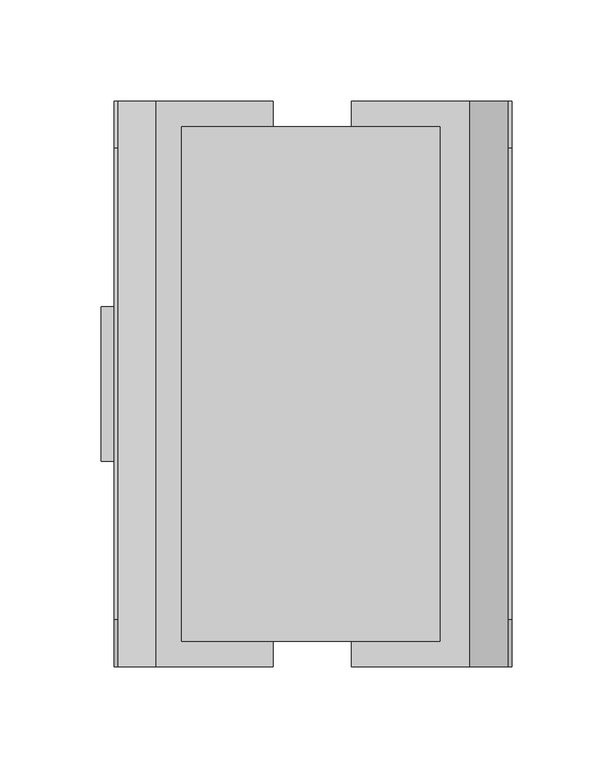
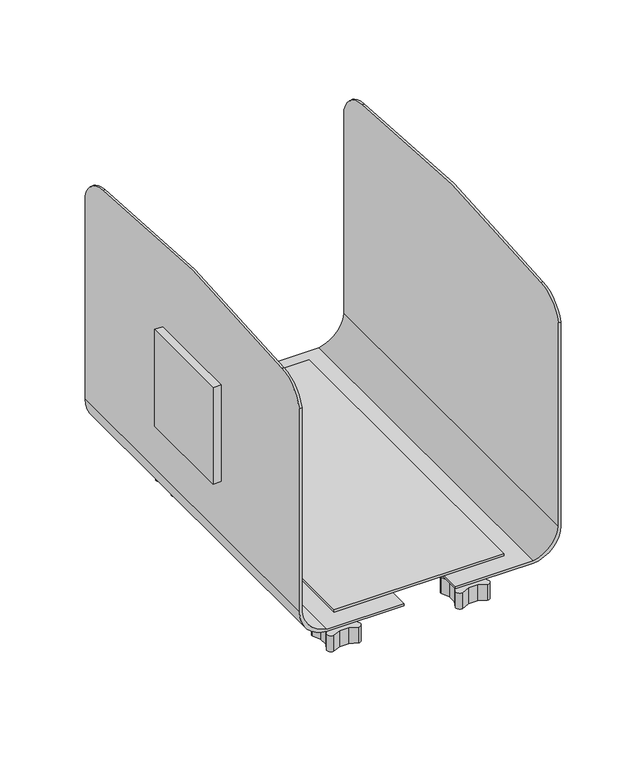
"""IFC4 building model written with IfcOpenShell, lengths in millimetres: furniture geometry."""

from ifc_helpers import new_model, si_unit, point, frame, frame_2d, origin, place, context, project, spatial, polyline, circle_curve, trimmed, segment, composite_curve, outline, extrude, source, transform, mapped, element, save
from ifc_brep_helpers import plane_surface, cylinder_surface, revolved_surface, advanced_brep


def furniture_53feaf38(model_context):
    return source(origin(), model_context, "Body", "SolidModel", [
        advanced_brep(
        [(-97.3708984, -139.700003, 22.4408995), (-76.5428979, -139.700003, 0.0), (-18.7070953, -139.700003, 0.0), (-18.7070953, -139.700003, 1.8034), (-76.5428979, -139.700003, 1.8034), (-95.5928984, -139.700003, 22.4408995), (-95.5928984, -139.700003, 184.3659086), (-97.3708984, -139.700003, 184.3659086), (-95.5928984, 139.700003, 22.4408995), (-76.5428979, 139.700003, 1.8034), (-18.7070953, 139.700003, 1.8034), (-18.7070953, 139.700003, 0.0), (-76.5428979, 139.700003, 0.0), (-97.3708984, 139.700003, 22.4408995), (-97.3708984, 139.700003, 184.3659086), (-95.5928984, 139.700003, 184.3659086), (-95.5928984, 116.4590025, 202.3744932), (-95.5928984, -0.010326, 210.0453005), (-95.5928984, -116.4796544, 202.3744932), (-97.3708984, -116.4796544, 202.3744932), (-97.3708984, -0.010326, 210.0453005), (-97.3708984, 116.4590025, 202.3744932)],
        [
            (0, 1, circle_curve(frame((-75.433349, -139.700003, 21.9157647), z_axis=(0.0, -1.0, 0.0), x_axis=(-1.0, 0.0, 0.0)), 21.9438337)),
            (1, 2),
            (2, 3),
            (3, 4),
            (4, 5, circle_curve(frame((-72.1082967, -139.700003, 25.0079364), z_axis=(0.0, 1.0, 0.0), x_axis=(-1.0, 0.0, 0.0)), 23.624483)),
            (5, 6),
            (6, 7),
            (7, 0),
            (8, 9, circle_curve(frame((-72.1082967, 139.700003, 25.0079364), z_axis=(0.0, -1.0, 0.0), x_axis=(-1.0, 0.0, 0.0)), 23.624483)),
            (9, 10),
            (10, 11),
            (11, 12),
            (12, 13, circle_curve(frame((-75.433349, 139.700003, 21.9157647), z_axis=(0.0, 1.0, 0.0), x_axis=(-1.0, 0.0, 0.0)), 21.9438337)),
            (13, 14),
            (14, 15),
            (15, 8),
            (0, 13),
            (12, 1),
            (11, 2),
            (3, 10),
            (9, 4),
            (8, 5),
            (15, 16, circle_curve(frame((-95.5928984, 116.0894867, 177.8964713), z_axis=(1.0, 0.0, 0.0), x_axis=(0.0, 1.0, 0.0)), 24.4808108)),
            (16, 17, circle_curve(frame((-95.5928984, -0.010326, -677.9932889), z_axis=(1.0, 0.0, 0.0), x_axis=(0.0, 1.0, 0.0)), 888.0385894)),
            (17, 18, circle_curve(frame((-95.5928984, -0.010326, -677.9932889), z_axis=(1.0, 0.0, 0.0), x_axis=(0.0, 1.0, 0.0)), 888.0385894)),
            (18, 6, circle_curve(frame((-95.5928984, -116.0888215, 177.8960492), z_axis=(1.0, 0.0, 0.0), x_axis=(0.0, 1.0, 0.0)), 24.481564)),
            (7, 19, circle_curve(frame((-97.3708984, -116.0888215, 177.8960492), z_axis=(-1.0, 0.0, 0.0), x_axis=(0.0, 1.0, 0.0)), 24.481564)),
            (19, 20, circle_curve(frame((-97.3708984, -0.010326, -677.9932889), z_axis=(-1.0, 0.0, 0.0), x_axis=(0.0, 1.0, 0.0)), 888.0385894)),
            (20, 21, circle_curve(frame((-97.3708984, -0.010326, -677.9932889), z_axis=(-1.0, 0.0, 0.0), x_axis=(0.0, 1.0, 0.0)), 888.0385894)),
            (21, 14, circle_curve(frame((-97.3708984, 116.0894867, 177.8964713), z_axis=(-1.0, 0.0, 0.0), x_axis=(0.0, 1.0, 0.0)), 24.4808108)),
            (18, 19),
            (16, 21),
        ],
        [
            plane_surface(frame((0.0, -139.700003, 0.0), z_axis=(0.0, -1.0, 0.0), x_axis=(0.0, 0.0, 1.0))),
            plane_surface(frame((0.0, 139.700003, 0.0), z_axis=(0.0, 1.0, 0.0), x_axis=(0.0, 0.0, 1.0))),
            cylinder_surface(frame((-75.433349, -139.700003, 21.9157647), z_axis=(0.0, -1.0, 0.0), x_axis=(-1.0, 0.0, 0.0)), 21.9438337),
            plane_surface(frame((-76.5428979, -139.700003, 0.0), z_axis=(0.0, 0.0, -1.0), x_axis=(0.0, 1.0, 0.0))),
            plane_surface(frame((-18.7070953, -139.700003, 1.8034), z_axis=(0.0, 0.0, 1.0), x_axis=(0.0, 1.0, 0.0))),
            revolved_surface(polyline([(-95.7327797, 139.700003, 25.0079364), (-95.7327797, -139.700003, 25.0079364)]), (-72.1082967, -139.700003, 25.0079364), (0.0, 1.0, 0.0)),
            plane_surface(frame((-95.5928984, -139.700003, 22.4408995), z_axis=(1.0, 0.0, 0.0), x_axis=(0.0, 1.0, 0.0))),
            plane_surface(frame((-97.3708984, -139.700003, 210.0453004), z_axis=(-1.0, 0.0, 0.0), x_axis=(0.0, 1.0, 0.0))),
            plane_surface(frame((-18.7070953, -139.700003, 0.0), z_axis=(1.0, 0.0, 0.0), x_axis=(0.0, 1.0, 0.0))),
            cylinder_surface(frame((-118.4201748, -116.0888215, 177.8960492), z_axis=(-1.0, 0.0, 0.0), x_axis=(0.0, 1.0, 0.0)), 24.481564),
            cylinder_surface(frame((-118.4201748, -0.010326, -677.9932889), z_axis=(-1.0, 0.0, 0.0), x_axis=(0.0, 1.0, 0.0)), 888.0385894),
            cylinder_surface(frame((-118.4201748, 116.0894867, 177.8964713), z_axis=(-1.0, 0.0, 0.0), x_axis=(0.0, 1.0, 0.0)), 24.4808108),
        ],
        [
            (0, [[1, 2, 3, 4, 5, 6, 7, 8]]),
            (1, [[9, 10, 11, 12, 13, 14, 15, 16]]),
            (2, [[-1, 17, -13, 18]]),
            (3, [[-2, -18, -12, 19]]),
            (4, [[-4, 20, -10, 21]]),
            (5, [[-5, -21, -9, 22]]),
            (6, [[-22, -16, 23, 24, 25, 26, -6]]),
            (7, [[-17, -8, 27, 28, 29, 30, -14]]),
            (8, [[-3, -19, -11, -20]]),
            (9, [[31, -27, -7, -26]]),
            (10, [[-31, -25, -24, 32, -29, -28]]),
            (11, [[-32, -23, -15, -30]]),
        ],
    ),
        advanced_brep(
        [(97.6058995, -139.700003, 22.4662999), (78.5558995, -139.700003, 1.8034), (20.1105117, -139.700003, 1.8034), (20.1105117, -139.700003, 0.0), (78.5558995, -139.700003, 0.0), (99.383916, -139.700003, 22.4662999), (99.383916, -139.700003, 184.3659086), (97.6058995, -139.700003, 184.3659086), (99.383916, 139.700003, 22.4662999), (78.5558995, 139.700003, 0.0), (20.1105117, 139.700003, 0.0), (20.1105117, 139.700003, 1.8034), (78.5558995, 139.700003, 1.8034), (97.6058995, 139.700003, 22.4662999), (97.6058995, 139.700003, 184.3659086), (99.383916, 139.700003, 184.3659086), (99.383916, 116.4590025, 202.3744932), (99.383916, -0.010326, 210.0453005), (99.383916, -116.4796544, 202.3744932), (97.6058995, -116.4796544, 202.3744932), (97.6058995, -0.010326, 210.0453005), (97.6058995, 116.4590025, 202.3744932)],
        [
            (0, 1, circle_curve(frame((74.0595336, -139.700003, 25.0617394), z_axis=(0.0, 1.0, 0.0), x_axis=(-1.0, 0.0, 0.0)), 23.6889775)),
            (1, 2),
            (2, 3),
            (3, 4),
            (4, 5, circle_curve(frame((77.3819073, -139.700003, 21.9761323), z_axis=(0.0, -1.0, 0.0), x_axis=(-1.0, 0.0, 0.0)), 22.007468)),
            (5, 6),
            (6, 7),
            (7, 0),
            (8, 9, circle_curve(frame((77.3819073, 139.700003, 21.9761323), z_axis=(0.0, 1.0, 0.0), x_axis=(-1.0, 0.0, 0.0)), 22.007468)),
            (9, 10),
            (10, 11),
            (11, 12),
            (12, 13, circle_curve(frame((74.0595336, 139.700003, 25.0617394), z_axis=(0.0, -1.0, 0.0), x_axis=(-1.0, 0.0, 0.0)), 23.6889775)),
            (13, 14),
            (14, 15),
            (15, 8),
            (4, 9),
            (8, 5),
            (15, 16, circle_curve(frame((99.383916, 116.0894867, 177.8964713), z_axis=(1.0, 0.0, 0.0), x_axis=(0.0, 1.0, 0.0)), 24.4808108)),
            (16, 17, circle_curve(frame((99.383916, -0.010326, -677.9932889), z_axis=(1.0, 0.0, 0.0), x_axis=(0.0, 1.0, 0.0)), 888.0385894)),
            (17, 18, circle_curve(frame((99.383916, -0.010326, -677.9932889), z_axis=(1.0, 0.0, 0.0), x_axis=(0.0, 1.0, 0.0)), 888.0385894)),
            (18, 6, circle_curve(frame((99.383916, -116.0888215, 177.8960492), z_axis=(1.0, 0.0, 0.0), x_axis=(0.0, 1.0, 0.0)), 24.481564)),
            (13, 0),
            (7, 19, circle_curve(frame((97.6058995, -116.0888215, 177.8960492), z_axis=(-1.0, 0.0, 0.0), x_axis=(0.0, 1.0, 0.0)), 24.481564)),
            (19, 20, circle_curve(frame((97.6058995, -0.010326, -677.9932889), z_axis=(-1.0, 0.0, 0.0), x_axis=(0.0, 1.0, 0.0)), 888.0385894)),
            (20, 21, circle_curve(frame((97.6058995, -0.010326, -677.9932889), z_axis=(-1.0, 0.0, 0.0), x_axis=(0.0, 1.0, 0.0)), 888.0385894)),
            (21, 14, circle_curve(frame((97.6058995, 116.0894867, 177.8964713), z_axis=(-1.0, 0.0, 0.0), x_axis=(0.0, 1.0, 0.0)), 24.4808108)),
            (12, 1),
            (11, 2),
            (10, 3),
            (18, 19),
            (16, 21),
        ],
        [
            plane_surface(frame((0.0, -139.700003, 0.0), z_axis=(0.0, -1.0, 0.0), x_axis=(0.0, 0.0, 1.0))),
            plane_surface(frame((0.0, 139.700003, 0.0), z_axis=(0.0, 1.0, 0.0), x_axis=(0.0, 0.0, 1.0))),
            cylinder_surface(frame((77.3819073, -139.700003, 21.9761323), z_axis=(0.0, -1.0, 0.0), x_axis=(-1.0, 0.0, 0.0)), 22.007468),
            plane_surface(frame((99.383916, -139.700003, 22.4662999), z_axis=(1.0, 0.0, 0.0), x_axis=(0.0, 1.0, 0.0))),
            plane_surface(frame((97.6058995, -139.700003, 210.0453004), z_axis=(-1.0, 0.0, 0.0), x_axis=(0.0, 1.0, 0.0))),
            revolved_surface(polyline([(50.370556099999995, 139.700003, 25.0617394), (50.370556099999995, -139.700003, 25.0617394)]), (74.0595336, -139.700003, 25.0617394), (0.0, 1.0, 0.0)),
            plane_surface(frame((78.5558995, -139.700003, 1.8034), z_axis=(0.0, 0.0, 1.0), x_axis=(0.0, 1.0, 0.0))),
            plane_surface(frame((20.1105117, -139.700003, 1.8034), z_axis=(-1.0, 0.0, 0.0), x_axis=(0.0, 1.0, 0.0))),
            plane_surface(frame((20.1105117, -139.700003, 0.0), z_axis=(0.0, 0.0, -1.0), x_axis=(0.0, 1.0, 0.0))),
            cylinder_surface(frame((-118.4201748, -116.0888215, 177.8960492), z_axis=(-1.0, 0.0, 0.0), x_axis=(0.0, 1.0, 0.0)), 24.481564),
            cylinder_surface(frame((-118.4201748, -0.010326, -677.9932889), z_axis=(-1.0, 0.0, 0.0), x_axis=(0.0, 1.0, 0.0)), 888.0385894),
            cylinder_surface(frame((-118.4201748, 116.0894867, 177.8964713), z_axis=(-1.0, 0.0, 0.0), x_axis=(0.0, 1.0, 0.0)), 24.4808108),
        ],
        [
            (0, [[1, 2, 3, 4, 5, 6, 7, 8]]),
            (1, [[9, 10, 11, 12, 13, 14, 15, 16]]),
            (2, [[-5, 17, -9, 18]]),
            (3, [[-18, -16, 19, 20, 21, 22, -6]]),
            (4, [[23, -8, 24, 25, 26, 27, -14]]),
            (5, [[-1, -23, -13, 28]]),
            (6, [[-2, -28, -12, 29]]),
            (7, [[-3, -29, -11, 30]]),
            (8, [[-4, -30, -10, -17]]),
            (9, [[31, -24, -7, -22]]),
            (10, [[-31, -21, -20, 32, -26, -25]]),
            (11, [[-32, -19, -15, -27]]),
        ],
    ),
        extrude(outline(composite_curve([segment(trimmed(circle_curve(frame_2d((-47.6249977, -101.5999939)), 6.350003), [point((-41.2749947, -101.5999939))], [point((-53.9750008, -101.5999939))], False, "CARTESIAN"), True, "CONTINUOUS"), segment(trimmed(circle_curve(frame_2d((-47.6249977, -101.5999939)), 6.350003), [point((-53.9750008, -101.5999939))], [point((-41.2749947, -101.5999939))], False, "CARTESIAN"), True, "CONTINUOUS")], self_intersect=False)), frame((0.0, 0.0, -25.3491999), z_axis=(0.0, 0.0, 1.0), x_axis=(1.0, 0.0, 0.0)), (0.0, 0.0, 1.0), 25.3491999),
        extrude(outline(composite_curve([segment(trimmed(circle_curve(frame_2d((49.3332101, -101.5999939)), 6.350003), [point((55.6832132, -101.5999939))], [point((42.9832071, -101.5999939))], False, "CARTESIAN"), True, "CONTINUOUS"), segment(trimmed(circle_curve(frame_2d((49.3332101, -101.5999939)), 6.350003), [point((42.9832071, -101.5999939))], [point((55.6832132, -101.5999939))], False, "CARTESIAN"), True, "CONTINUOUS")], self_intersect=False)), frame((0.0, 0.0, -25.3491999), z_axis=(0.0, 0.0, 1.0), x_axis=(1.0, 0.0, 0.0)), (0.0, 0.0, 1.0), 25.3491999),
        extrude(outline(composite_curve([segment(trimmed(circle_curve(frame_2d((49.3332101, 101.6000008)), 6.350003), [point((55.6832132, 101.6000008))], [point((42.9832071, 101.6000008))], False, "CARTESIAN"), True, "CONTINUOUS"), segment(trimmed(circle_curve(frame_2d((49.3332101, 101.6000008)), 6.350003), [point((42.9832071, 101.6000008))], [point((55.6832132, 101.6000008))], False, "CARTESIAN"), True, "CONTINUOUS")], self_intersect=False)), frame((0.0, 0.0, -25.3491999), z_axis=(0.0, 0.0, 1.0), x_axis=(1.0, 0.0, 0.0)), (0.0, 0.0, 1.0), 25.3491999),
        extrude(outline(composite_curve([segment(trimmed(circle_curve(frame_2d((-47.6249977, 101.6000008)), 6.350003), [point((-41.2749947, 101.6000008))], [point((-53.9750008, 101.6000008))], False, "CARTESIAN"), True, "CONTINUOUS"), segment(trimmed(circle_curve(frame_2d((-47.6249977, 101.6000008)), 6.350003), [point((-53.9750008, 101.6000008))], [point((-41.2749947, 101.6000008))], False, "CARTESIAN"), True, "CONTINUOUS")], self_intersect=False)), frame((0.0, 0.0, -25.3491999), z_axis=(0.0, 0.0, 1.0), x_axis=(1.0, 0.0, 0.0)), (0.0, 0.0, 1.0), 25.3491999),
        extrude(outline(composite_curve([segment(polyline([(-44.2458571, 111.4888117), (-38.0999977, 114.3000023)]), True, "CONTINUOUS"), segment(trimmed(circle_curve(frame_2d((-38.0999977, 111.1250015)), 3.1750008), [point((-38.0999977, 114.3000023))], [point((-34.9249969, 111.1250015))], False, "CARTESIAN"), True, "CONTINUOUS"), segment(polyline([(-34.9249969, 111.1250015), (-37.7361891, 104.9791436), (-37.7361891, 98.2208624), (-34.9249962, 92.075003)]), True, "CONTINUOUS"), segment(trimmed(circle_curve(frame_2d((-38.0999977, 92.075003)), 3.1750015), [point((-34.9249962, 92.075003))], [point((-38.0999977, 88.9000015))], False, "CARTESIAN"), True, "CONTINUOUS"), segment(polyline([(-38.0999977, 88.9000015), (-44.2458571, 91.7111944), (-51.0041383, 91.7111944), (-57.1499977, 88.9000015)]), True, "CONTINUOUS"), segment(trimmed(circle_curve(frame_2d((-57.1499977, 92.075003)), 3.1750015), [point((-57.1499977, 88.9000015))], [point((-60.3249992, 92.075003))], False, "CARTESIAN"), True, "CONTINUOUS"), segment(polyline([(-60.3249992, 92.075003), (-57.5138064, 98.2208624), (-57.5138064, 104.9791436), (-60.3249992, 111.125003)]), True, "CONTINUOUS"), segment(trimmed(circle_curve(frame_2d((-57.1499993, 111.125003)), 3.175), [point((-60.3249992, 111.125003))], [point((-57.1499993, 114.300003))], False, "CARTESIAN"), True, "CONTINUOUS"), segment(polyline([(-57.1499993, 114.300003), (-51.0041383, 111.4888117), (-44.2458571, 111.4888117)]), True, "CONTINUOUS")], self_intersect=False)), frame((0.0, 0.0, -38.0491991), z_axis=(0.0, 0.0, 1.0), x_axis=(1.0, 0.0, 0.0)), (0.0, 0.0, 1.0), 12.6999992),
        extrude(outline(composite_curve([segment(polyline([(52.7123507, 111.4888117), (58.8582101, 114.3000023)]), True, "CONTINUOUS"), segment(trimmed(circle_curve(frame_2d((58.8582101, 111.1250015)), 3.1750008), [point((58.8582101, 114.3000023))], [point((62.0332109, 111.1250015))], False, "CARTESIAN"), True, "CONTINUOUS"), segment(polyline([(62.0332109, 111.1250015), (59.2220188, 104.9791436), (59.2220188, 98.2208624), (62.0332117, 92.075003)]), True, "CONTINUOUS"), segment(trimmed(circle_curve(frame_2d((58.8582101, 92.075003)), 3.1750015), [point((62.0332117, 92.075003))], [point((58.8582101, 88.9000015))], False, "CARTESIAN"), True, "CONTINUOUS"), segment(polyline([(58.8582101, 88.9000015), (52.7123507, 91.7111944), (45.9540696, 91.7111944), (39.8082101, 88.9000015)]), True, "CONTINUOUS"), segment(trimmed(circle_curve(frame_2d((39.8082101, 92.075003)), 3.1750015), [point((39.8082101, 88.9000015))], [point((36.6332086, 92.075003))], False, "CARTESIAN"), True, "CONTINUOUS"), segment(polyline([(36.6332086, 92.075003), (39.4444015, 98.2208624), (39.4444015, 104.9791436), (36.6332086, 111.125003)]), True, "CONTINUOUS"), segment(trimmed(circle_curve(frame_2d((39.8082086, 111.125003)), 3.175), [point((36.6332086, 111.125003))], [point((39.8082086, 114.300003))], False, "CARTESIAN"), True, "CONTINUOUS"), segment(polyline([(39.8082086, 114.300003), (45.9540696, 111.4888117), (52.7123507, 111.4888117)]), True, "CONTINUOUS")], self_intersect=False)), frame((0.0, 0.0, -38.0491991), z_axis=(0.0, 0.0, 1.0), x_axis=(1.0, 0.0, 0.0)), (0.0, 0.0, 1.0), 12.6999992),
        extrude(outline(composite_curve([segment(polyline([(52.7123507, -91.711183), (58.8582101, -88.8999924)]), True, "CONTINUOUS"), segment(trimmed(circle_curve(frame_2d((58.8582101, -92.0749932)), 3.1750008), [point((58.8582101, -88.8999924))], [point((62.0332109, -92.0749932))], False, "CARTESIAN"), True, "CONTINUOUS"), segment(polyline([(62.0332109, -92.0749932), (59.2220188, -98.2208511), (59.2220188, -104.9791323), (62.0332117, -111.1249917)]), True, "CONTINUOUS"), segment(trimmed(circle_curve(frame_2d((58.8582101, -111.1249917)), 3.1750015), [point((62.0332117, -111.1249917))], [point((58.8582101, -114.2999932))], False, "CARTESIAN"), True, "CONTINUOUS"), segment(polyline([(58.8582101, -114.2999932), (52.7123507, -111.4888003), (45.9540696, -111.4888003), (39.8082101, -114.2999932)]), True, "CONTINUOUS"), segment(trimmed(circle_curve(frame_2d((39.8082101, -111.1249917)), 3.1750015), [point((39.8082101, -114.2999932))], [point((36.6332086, -111.1249917))], False, "CARTESIAN"), True, "CONTINUOUS"), segment(polyline([(36.6332086, -111.1249917), (39.4444015, -104.9791323), (39.4444015, -98.2208511), (36.6332086, -92.0749917)]), True, "CONTINUOUS"), segment(trimmed(circle_curve(frame_2d((39.8082086, -92.0749917)), 3.175), [point((36.6332086, -92.0749917))], [point((39.8082086, -88.8999917))], False, "CARTESIAN"), True, "CONTINUOUS"), segment(polyline([(39.8082086, -88.8999917), (45.9540696, -91.711183), (52.7123507, -91.711183)]), True, "CONTINUOUS")], self_intersect=False)), frame((0.0, 0.0, -38.0491991), z_axis=(0.0, 0.0, 1.0), x_axis=(1.0, 0.0, 0.0)), (0.0, 0.0, 1.0), 12.6999992),
        extrude(outline(composite_curve([segment(polyline([(-44.2458571, -91.711183), (-38.0999977, -88.8999924)]), True, "CONTINUOUS"), segment(trimmed(circle_curve(frame_2d((-38.0999977, -92.0749932)), 3.1750008), [point((-38.0999977, -88.8999924))], [point((-34.9249969, -92.0749932))], False, "CARTESIAN"), True, "CONTINUOUS"), segment(polyline([(-34.9249969, -92.0749932), (-37.7361891, -98.2208511), (-37.7361891, -104.9791323), (-34.9249962, -111.1249917)]), True, "CONTINUOUS"), segment(trimmed(circle_curve(frame_2d((-38.0999977, -111.1249917)), 3.1750015), [point((-34.9249962, -111.1249917))], [point((-38.0999977, -114.2999932))], False, "CARTESIAN"), True, "CONTINUOUS"), segment(polyline([(-38.0999977, -114.2999932), (-44.2458571, -111.4888003), (-51.0041383, -111.4888003), (-57.1499977, -114.2999932)]), True, "CONTINUOUS"), segment(trimmed(circle_curve(frame_2d((-57.1499977, -111.1249917)), 3.1750015), [point((-57.1499977, -114.2999932))], [point((-60.3249992, -111.1249917))], False, "CARTESIAN"), True, "CONTINUOUS"), segment(polyline([(-60.3249992, -111.1249917), (-57.5138064, -104.9791323), (-57.5138064, -98.2208511), (-60.3249992, -92.0749917)]), True, "CONTINUOUS"), segment(trimmed(circle_curve(frame_2d((-57.1499993, -92.0749917)), 3.175), [point((-60.3249992, -92.0749917))], [point((-57.1499993, -88.8999917))], False, "CARTESIAN"), True, "CONTINUOUS"), segment(polyline([(-57.1499993, -88.8999917), (-51.0041383, -91.711183), (-44.2458571, -91.711183)]), True, "CONTINUOUS")], self_intersect=False)), frame((0.0, 0.0, -38.0491991), z_axis=(0.0, 0.0, 1.0), x_axis=(1.0, 0.0, 0.0)), (0.0, 0.0, 1.0), 12.6999992),
        extrude(outline(polyline([(63.8428986, -126.999997), (-63.8428986, -126.999997), (-63.8428986, 127.0000026), (63.8428986, 127.0000026), (63.8428986, -126.999997)])), frame((0.0, 0.0, 3.2004), z_axis=(0.0, 0.0, 1.0), x_axis=(1.0, 0.0, 0.0)), (0.0, 0.0, 1.0), 1.7780003),
        extrude(outline(polyline([(-97.3708984, 38.0702689), (-97.3708984, -38.1297311), (-103.7208986, -38.1297311), (-103.7208986, 38.0702689), (-97.3708984, 38.0702689)])), frame((0.0, 0.0, 64.9605016), z_axis=(0.0, 0.0, 1.0), x_axis=(1.0, 0.0, 0.0)), (0.0, 0.0, 1.0), 76.8858003),
    ])


if __name__ == "__main__":
    model = new_model("IFC4")
    model_context = context("Model", 3, world=origin())
    ifc_project = project(units=[si_unit("LENGTHUNIT", "METRE", prefix="MILLI")], contexts=[model_context])
    site = spatial("IfcSite", under=ifc_project)
    building = spatial("IfcBuilding", under=site)
    placement = place(None, origin())
    furniture_shape = furniture_53feaf38(model_context)
    element("IfcFurniture", 1, at=placement, inside=building, context=model_context, shape_type="MappedRepresentation", body=[
        mapped(furniture_shape, transform((0.0, 0.0, 0.0), x_axis=(1.0, 0.0, 0.0), y_axis=(0.0, 1.0, 0.0), z_axis=(0.0, 0.0, 1.0))),
    ])
    save(model, "model.ifc")
